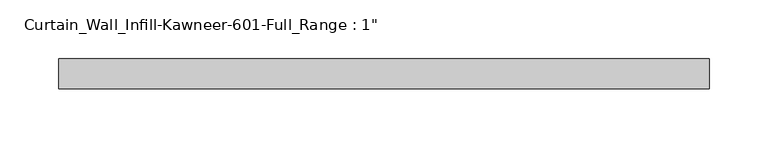
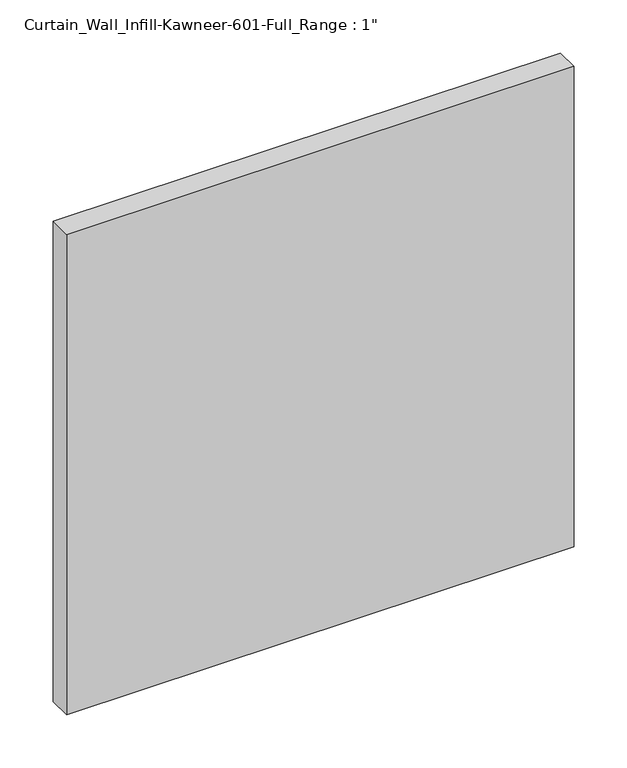
"""IFC4 building model written with IfcOpenShell, lengths in millimetres: plate geometry."""

from ifc_helpers import new_model, si_unit, origin, origin_with_axes, place, context, project, spatial, polyline, outline, extrude, source, transform, mapped, element, save


def plate_9b0e9ff0(model_context):
    return source(origin(), model_context, "Body", "SweptSolid", [
        extrude(outline(polyline([(-276.225, 12.7), (276.225, 12.7), (276.225, -12.7), (-276.225, -12.7), (-276.225, 12.7)])), origin_with_axes(), (0.0, 0.0, 1.0), 552.45),
    ])


if __name__ == "__main__":
    model = new_model("IFC4")
    model_context = context("Model", 3, world=origin())
    ifc_project = project(units=[si_unit("LENGTHUNIT", "METRE", prefix="MILLI")], contexts=[model_context])
    site = spatial("IfcSite", under=ifc_project)
    building = spatial("IfcBuilding", under=site)
    placement = place(None, origin())
    plate_shape = plate_9b0e9ff0(model_context)
    element("IfcPlate", 1, ObjectType="Curtain_Wall_Infill-Kawneer-601-Full_Range : 1\"", at=placement, inside=building, context=model_context, shape_type="MappedRepresentation", body=[
        mapped(plate_shape, transform((0.0, 0.0, 0.0), x_axis=(1.0, 0.0, 0.0), y_axis=(0.0, 1.0, 0.0), z_axis=(0.0, 0.0, 1.0))),
    ])
    save(model, "model.ifc")
